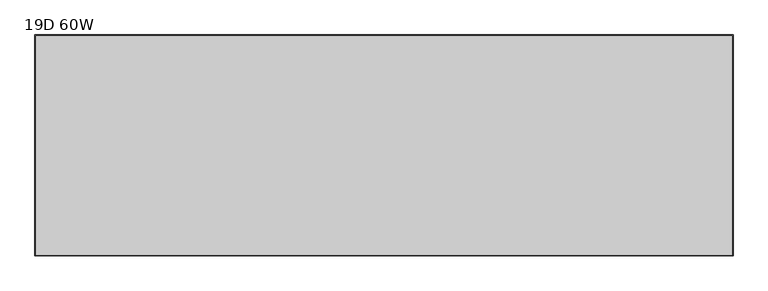
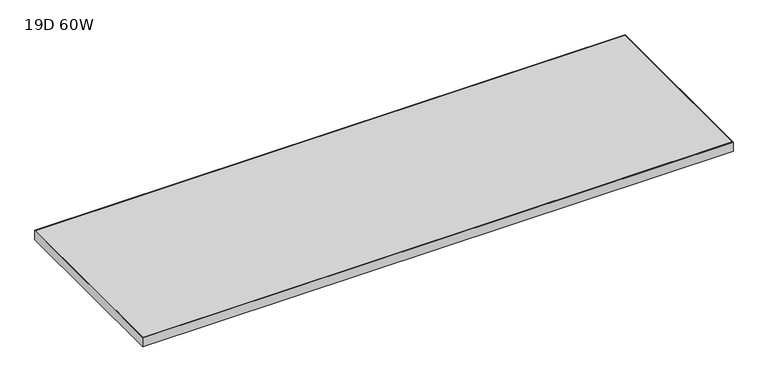
"""IFC4 building model written with IfcOpenShell, lengths in millimetres: furniture geometry, 19D 60W."""

from ifc_helpers import new_model, si_unit, frame, origin, place, context, project, spatial, polyline, outline, extrude, source, transform, mapped, element, save


def furniture_19d_60w_4d984526(model_context):
    return source(origin(), model_context, "Body", "SweptSolid", [
        extrude(outline(polyline([(1522.4125, -1.5875), (1522.4125, -481.0125), (1.5875, -481.0125), (1.5875, -1.5875), (1522.4125, -1.5875)])), frame((0.0, 0.0, 889.0), z_axis=(0.0, 0.0, 1.0), x_axis=(1.0, 0.0, 0.0)), (0.0, 0.0, 1.0), 25.4),
        extrude(outline(polyline([(0.0, 0.0), (1524.0, 0.0), (1524.0, -482.6), (0.0, -482.6), (0.0, 0.0)]), holes=[polyline([(1.5875, -481.0125), (1522.4125, -481.0125), (1522.4125, -1.5875), (1.5875, -1.5875), (1.5875, -481.0125)])]), frame((0.0, 0.0, 889.0), z_axis=(0.0, 0.0, 1.0), x_axis=(1.0, 0.0, 0.0)), (0.0, 0.0, 1.0), 25.4),
    ])


if __name__ == "__main__":
    model = new_model("IFC4")
    model_context = context("Model", 3, world=origin())
    ifc_project = project(units=[si_unit("LENGTHUNIT", "METRE", prefix="MILLI")], contexts=[model_context])
    site = spatial("IfcSite", under=ifc_project)
    building = spatial("IfcBuilding", under=site)
    placement = place(None, origin())
    furniture_19d_60w_shape = furniture_19d_60w_4d984526(model_context)
    element("IfcFurniture", 1, ObjectType="19D 60W", at=placement, inside=building, context=model_context, shape_type="MappedRepresentation", body=[
        mapped(furniture_19d_60w_shape, transform((0.0, 0.0, 0.0), x_axis=(1.0, 0.0, 0.0), y_axis=(0.0, 1.0, 0.0), z_axis=(0.0, 0.0, 1.0))),
    ])
    save(model, "model.ifc")
